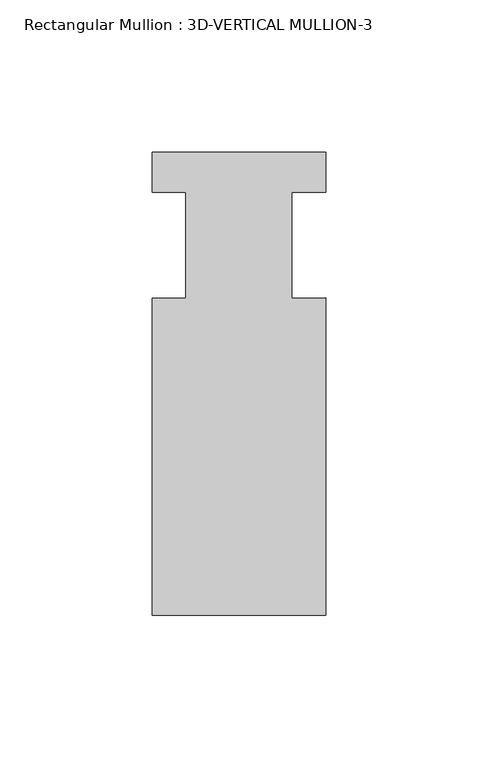
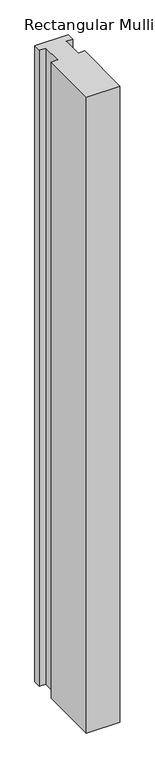
"""IFC4 building model written with IfcOpenShell, lengths in millimetres: member geometry, Rectangular Mullion : 3D-VERTICAL MULLION-3."""

from ifc_helpers import new_model, si_unit, frame, origin, place, context, project, spatial, polyline, outline, extrude, source, transform, mapped, element, save


def rectangular_mullion_3d_vertical_mullion_3_74e29e40(model_context):
    return source(origin(), model_context, "Body", "SweptSolid", [
        extrude(outline(polyline([(28.575, -145.25625), (-28.575, -145.25625), (-28.575, -41.01465), (-17.4625, -41.01465), (-17.4625, -6.05155), (-28.575, -6.05155), (-28.575, 7.14375), (28.575, 7.14375), (28.575, -6.05155), (17.4625, -6.05155), (17.4625, -40.8917429), (28.575, -40.7864111), (28.575, -145.25625)])), frame((0.0, 0.0, -1149.35), z_axis=(0.0, 0.0, 1.0), x_axis=(1.0, 0.0, 0.0)), (0.0, 0.0, 1.0), 1149.35),
    ])


if __name__ == "__main__":
    model = new_model("IFC4")
    model_context = context("Model", 3, world=origin())
    ifc_project = project(units=[si_unit("LENGTHUNIT", "METRE", prefix="MILLI")], contexts=[model_context])
    site = spatial("IfcSite", under=ifc_project)
    building = spatial("IfcBuilding", under=site)
    placement = place(None, origin())
    rectangular_mullion_3d_vertical_mullion_3_shape = rectangular_mullion_3d_vertical_mullion_3_74e29e40(model_context)
    element("IfcMember", 1, ObjectType="Rectangular Mullion : 3D-VERTICAL MULLION-3", at=placement, inside=building, context=model_context, shape_type="MappedRepresentation", body=[
        mapped(rectangular_mullion_3d_vertical_mullion_3_shape, transform((0.0, 0.0, 0.0), x_axis=(1.0, 0.0, 0.0), y_axis=(0.0, 1.0, 0.0), z_axis=(0.0, 0.0, 1.0))),
    ])
    save(model, "model.ifc")
